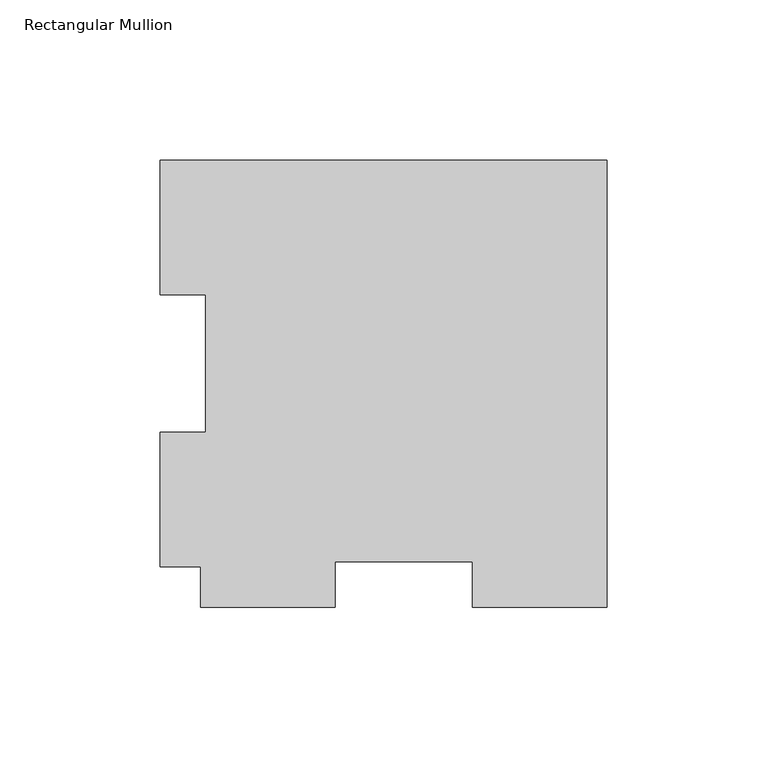
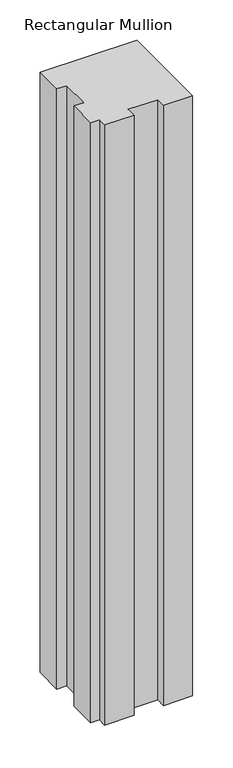
"""IFC4 building model written with IfcOpenShell, lengths in millimetres: member geometry, Rectangular Mullion."""

from ifc_helpers import new_model, si_unit, frame, origin, place, context, project, spatial, polyline, outline, extrude, source, transform, mapped, element, save


def rectangular_mullion_4e3de87a(model_context):
    return source(origin(), model_context, "Body", "SweptSolid", [
        extrude(outline(polyline([(-139.7, 126.7086937), (0.0, 126.7086937), (0.0, -12.9913063), (-42.0751, -12.9913063), (-42.0751, 1.2961937), (-84.9249, 1.2961937), (-84.9249, -12.9913063), (-127.0, -12.9913063), (-127.0, -0.2913063), (-139.7, -0.2913063), (-139.7, 41.7837938), (-125.4125, 41.7837938), (-125.4125, 84.6335938), (-139.7, 84.6335938), (-139.7, 126.7086937)])), frame((0.0, 0.0, -914.4), z_axis=(0.0, 0.0, 1.0), x_axis=(1.0, 0.0, 0.0)), (0.0, 0.0, 1.0), 914.4),
    ])


if __name__ == "__main__":
    model = new_model("IFC4")
    model_context = context("Model", 3, world=origin())
    ifc_project = project(units=[si_unit("LENGTHUNIT", "METRE", prefix="MILLI")], contexts=[model_context])
    site = spatial("IfcSite", under=ifc_project)
    building = spatial("IfcBuilding", under=site)
    placement = place(None, origin())
    rectangular_mullion_shape = rectangular_mullion_4e3de87a(model_context)
    element("IfcMember", 1, ObjectType="Rectangular Mullion", at=placement, inside=building, context=model_context, shape_type="MappedRepresentation", body=[
        mapped(rectangular_mullion_shape, transform((0.0, 0.0, 0.0), x_axis=(1.0, 0.0, 0.0), y_axis=(0.0, 1.0, 0.0), z_axis=(0.0, 0.0, 1.0))),
    ])
    save(model, "model.ifc")
